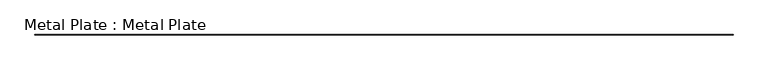
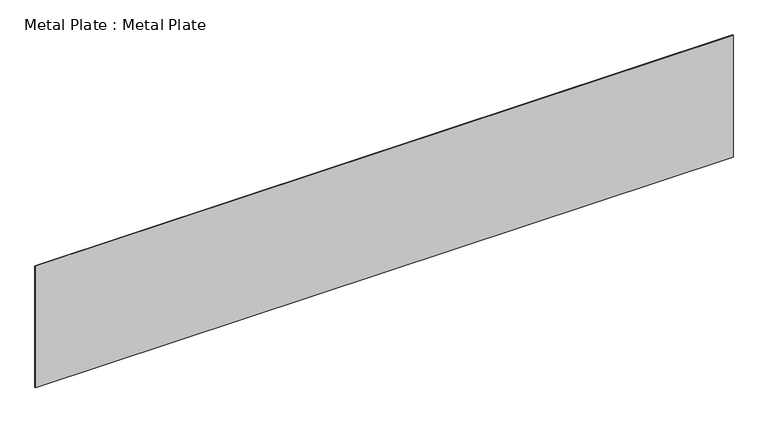
"""IFC4 building model written with IfcOpenShell, lengths in millimetres: proxy geometry, Metal Plate : Metal Plate."""

import ifcopenshell
import ifcopenshell.guid

model = None  # the IFC model being written
_history = None  # IfcOwnerHistory: only IFC2X3 demands one
_inside = {}  # id of a spatial element -> (the spatial element, [elements in it])
_under = {}  # id of a project, library or spatial element -> (it, [spatial elements below it])
_declared = {}  # id of a project -> (the project, [libraries it declares])
_typed = {}  # id of a type object -> (the type object, [elements of that type])
_made_of = {}  # id of a material, layer set ... -> (it, [elements and type objects made of it])


def new_model(schema):
    """Start an empty IFC model of exactly this schema.

    Asked for "IFC4X3", IfcOpenShell would pick the latest addendum, in which some entities
    have other attributes; the version numbers below select the first issue.
    IFC2X3 requires an IfcOwnerHistory on every rooted entity: one is made here for all.
    """
    global model, _history
    if schema == "IFC4X3":
        model = ifcopenshell.file(schema_version=(4, 3, 0, 0))
    else:
        model = ifcopenshell.file(schema=schema)
    _inside.clear()
    _under.clear()
    _declared.clear()
    _typed.clear()
    _made_of.clear()
    _history = None
    if model.schema == "IFC2X3":
        org = make("IfcOrganization", Name="unknown")
        user = make(
            "IfcPersonAndOrganization",
            ThePerson=make("IfcPerson", FamilyName="unknown"),
            TheOrganization=org,
        )
        app = make(
            "IfcApplication",
            ApplicationDeveloper=org,
            Version="unknown",
            ApplicationFullName="unknown",
            ApplicationIdentifier="unknown",
        )
        _history = make(
            "IfcOwnerHistory",
            OwningUser=user,
            OwningApplication=app,
            ChangeAction="ADDED",
            CreationDate=0,
        )
    return model


def make(cls, **values):
    """One entity of the class cls with the attributes given. An attribute that is None is left unset."""
    return model.create_entity(
        cls, **{name: value for name, value in values.items() if value is not None}
    )


def rooted(cls, **values):
    """An entity with a GlobalId (a new one), such as an element, a storey or a relation."""
    return make(cls, GlobalId=ifcopenshell.guid.new(), OwnerHistory=_history, **values)


def si_unit(unit_type, name, prefix=None):
    """IfcSIUnit, for example si_unit("LENGTHUNIT", "METRE", prefix="MILLI")."""
    return make("IfcSIUnit", UnitType=unit_type, Prefix=prefix, Name=name)


def assignment(units):
    """IfcUnitAssignment: the units of a project."""
    return None if units is None else make("IfcUnitAssignment", Units=units)


def point(xyz):
    """IfcCartesianPoint."""
    return None if xyz is None else make("IfcCartesianPoint", Coordinates=xyz)


def direction(xyz):
    """IfcDirection."""
    return None if xyz is None else make("IfcDirection", DirectionRatios=xyz)


def frame(location, z_axis=None, x_axis=None):
    """IfcAxis2Placement3D, a coordinate frame: its origin and axes. An axis left out is left unset."""
    return make(
        "IfcAxis2Placement3D",
        Location=point(location),
        Axis=direction(z_axis),
        RefDirection=direction(x_axis),
    )


def origin():
    """The frame at (0, 0, 0) with its axes left unset."""
    return frame((0.0, 0.0, 0.0))


def origin_with_axes():
    """The frame at (0, 0, 0) with the z axis (0, 0, 1) and the x axis (1, 0, 0) written out."""
    return frame((0.0, 0.0, 0.0), z_axis=(0.0, 0.0, 1.0), x_axis=(1.0, 0.0, 0.0))


def place(relative_to, where):
    """IfcLocalPlacement: puts the frame where relative to a parent placement (None: the world)."""
    return make(
        "IfcLocalPlacement", PlacementRelTo=relative_to, RelativePlacement=where
    )


def context(
    kind, dimensions, precision=None, world=None, true_north=None, identifier=None
):
    """IfcGeometricRepresentationContext, for example the 3D "Model" context."""
    return make(
        "IfcGeometricRepresentationContext",
        ContextIdentifier=identifier,
        ContextType=kind,
        CoordinateSpaceDimension=dimensions,
        Precision=precision,
        WorldCoordinateSystem=world,
        TrueNorth=true_north,
    )


def project(units=None, contexts=None):
    """IfcProject with its units and contexts."""
    return rooted(
        "IfcProject",
        Name="project",
        RepresentationContexts=contexts,
        UnitsInContext=assignment(units),
    )


def spatial(cls, under=None, at=None, **own):
    """A site, building, storey or space (cls), placed at a placement, below another one or the project."""
    s = rooted(cls, ObjectPlacement=at, **own)
    if under is not None:
        _under.setdefault(under.id(), (under, []))[1].append(s)
    return s


def polyline(points):
    """IfcPolyline through the points."""
    return make("IfcPolyline", Points=[point(p) for p in points])


def outline(outer, holes=None, kind="AREA"):
    """IfcArbitraryClosedProfileDef: a profile drawn as a closed curve; with holes, ...WithVoids."""
    if holes is None:
        return make("IfcArbitraryClosedProfileDef", ProfileType=kind, OuterCurve=outer)
    return make(
        "IfcArbitraryProfileDefWithVoids",
        ProfileType=kind,
        OuterCurve=outer,
        InnerCurves=holes,
    )


def extrude(swept, where, along, depth):
    """IfcExtrudedAreaSolid: the profile swept, set in the frame where, extruded along a direction by depth."""
    return make(
        "IfcExtrudedAreaSolid",
        SweptArea=swept,
        Position=where,
        ExtrudedDirection=direction(along),
        Depth=depth,
    )


def shape(context_of_items, identifier, shape_type, items):
    """IfcShapeRepresentation: the items that make up one representation, for example the "Body"."""
    return make(
        "IfcShapeRepresentation",
        ContextOfItems=context_of_items,
        RepresentationIdentifier=identifier,
        RepresentationType=shape_type,
        Items=items,
    )


def source(mapping_origin, context_of_items, identifier, shape_type, items):
    """IfcRepresentationMap: a shape defined once, which mapped items show again and again."""
    return make(
        "IfcRepresentationMap",
        MappingOrigin=mapping_origin,
        MappedRepresentation=shape(context_of_items, identifier, shape_type, items),
    )


def transform(
    local_origin,
    x_axis=None,
    y_axis=None,
    z_axis=None,
    scale=None,
    scale2=None,
    scale3=None,
    uniform=True,
):
    """IfcCartesianTransformationOperator3D, or its non-uniform kind. x_axis, y_axis, z_axis: its Axis1, 2, 3."""
    if uniform:
        return make(
            "IfcCartesianTransformationOperator3D",
            Axis1=direction(x_axis),
            Axis2=direction(y_axis),
            LocalOrigin=point(local_origin),
            Scale=scale,
            Axis3=direction(z_axis),
        )
    return make(
        "IfcCartesianTransformationOperator3DnonUniform",
        Axis1=direction(x_axis),
        Axis2=direction(y_axis),
        LocalOrigin=point(local_origin),
        Scale=scale,
        Axis3=direction(z_axis),
        Scale2=scale2,
        Scale3=scale3,
    )


def mapped(mapping_source, mapping_target):
    """IfcMappedItem: shows the shape of a source again, moved by a transform."""
    return make(
        "IfcMappedItem", MappingSource=mapping_source, MappingTarget=mapping_target
    )


def made_of(thing, what):
    """Note that an element or type object is made of a material, layer set ...; save() writes the relation."""
    if what is not None:
        _made_of.setdefault(what.id(), (what, []))[1].append(thing)
    return thing


def element(
    cls,
    number,
    at=None,
    inside=None,
    cuts=None,
    type_object=None,
    material=None,
    context=None,
    identifier="Body",
    shape_type=None,
    held_by="IfcProductDefinitionShape",
    body=None,
    shapes=None,
    **own,
):
    """One element of the class cls, such as IfcWall. Its Tag is "e" and its number.

    at: its placement. inside: the storey or other place that contains it. cuts: it is an
    opening in that element (IfcRelVoidsElement). A single representation is given by context,
    identifier, shape_type and body (its items); several are given by shapes. held_by: the class
    of the entity that holds the representations. save() writes the other relations.
    """
    e = rooted(cls, Tag="e%d" % number, ObjectPlacement=at, **own)
    if body is not None:
        shapes = [shape(context, identifier, shape_type, body)]
    if shapes is not None:
        e.Representation = make(held_by, Representations=shapes)
    if inside is not None:
        _inside.setdefault(inside.id(), (inside, []))[1].append(e)
    if cuts is not None:
        rooted(
            "IfcRelVoidsElement", RelatingBuildingElement=cuts, RelatedOpeningElement=e
        )
    if type_object is not None:
        _typed.setdefault(type_object.id(), (type_object, []))[1].append(e)
    return made_of(e, material)


def aggregate(whole, parts):
    """IfcRelAggregates: a whole, such as a stair, and the parts it consists of."""
    return rooted("IfcRelAggregates", RelatingObject=whole, RelatedObjects=parts)


def save(model, path):
    """Write the relations noted so far, then the file.

    IfcRelAggregates (storeys below a building ...), IfcRelContainedInSpatialStructure (elements
    in a storey), IfcRelDefinesByType, IfcRelAssociatesMaterial and IfcRelDeclares: one each for
    every whole, place, type object, material and project.
    """
    for whole, parts in _under.values():
        aggregate(whole, parts)
    for where, things in _inside.values():
        rooted(
            "IfcRelContainedInSpatialStructure",
            RelatedElements=things,
            RelatingStructure=where,
        )
    for kind, things in _typed.values():
        rooted("IfcRelDefinesByType", RelatedObjects=things, RelatingType=kind)
    for what, things in _made_of.values():
        rooted("IfcRelAssociatesMaterial", RelatedObjects=things, RelatingMaterial=what)
    for by, libraries in _declared.values():
        rooted("IfcRelDeclares", RelatingContext=by, RelatedDefinitions=libraries)
    model.write(path)


def metal_plate_metal_plate_8c798c0d(model_context):
    return source(origin(), model_context, "Body", "SweptSolid", [
        extrude(outline(polyline([(-6227.8771607, -6.0), (-6227.8771607, 0.0), (6227.8771607, 0.0), (6227.8771607, -6.0), (-6227.8771607, -6.0)])), origin_with_axes(), (0.0, 0.0, 1.0), 2300.0),
    ])


if __name__ == "__main__":
    model = new_model("IFC4")
    model_context = context("Model", 3, world=origin())
    ifc_project = project(units=[si_unit("LENGTHUNIT", "METRE", prefix="MILLI")], contexts=[model_context])
    site = spatial("IfcSite", under=ifc_project)
    building = spatial("IfcBuilding", under=site)
    placement = place(None, origin())
    metal_plate_metal_plate_shape = metal_plate_metal_plate_8c798c0d(model_context)
    element("IfcBuildingElementProxy", 1, Name="Metal Plate : Metal Plate", ObjectType="Metal Plate : Metal Plate", at=placement, inside=building, context=model_context, shape_type="MappedRepresentation", body=[
        mapped(metal_plate_metal_plate_shape, transform((0.0, 0.0, 0.0), x_axis=(1.0, 0.0, 0.0), y_axis=(0.0, 1.0, 0.0), z_axis=(0.0, 0.0, 1.0))),
    ])
    save(model, "model.ifc")
